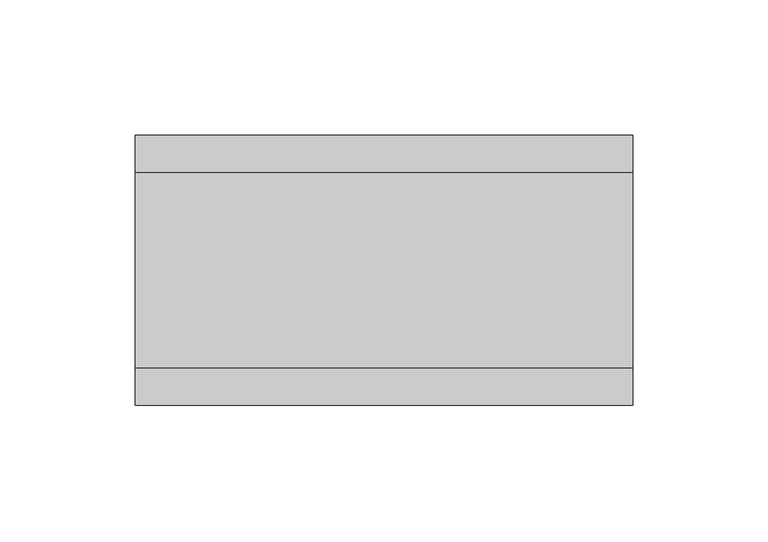
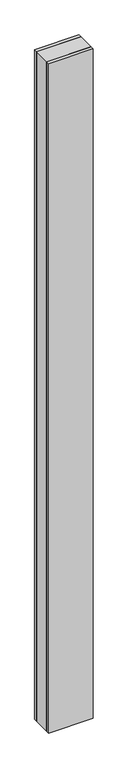
"""IFC4 building model written with IfcOpenShell, lengths in millimetres: plate geometry."""

from ifc_helpers import new_model, si_unit, origin, origin_with_axes, place, context, project, spatial, polyline, outline, extrude, source, transform, mapped, element, save


def plate_8624a801(model_context):
    return source(origin(), model_context, "Body", "SweptSolid", [
        extrude(outline(polyline([(92.0766498, 36.0), (92.0766498, -36.0), (-92.0766498, -36.0), (-92.0766498, 36.0), (92.0766498, 36.0)])), origin_with_axes(), (0.0, 0.0, 1.0), 2925.7),
        extrude(outline(polyline([(92.0766498, 50.0), (92.0766498, 36.0), (-92.0766498, 36.0), (-92.0766498, 50.0), (92.0766498, 50.0)])), origin_with_axes(), (0.0, 0.0, 1.0), 2925.7),
        extrude(outline(polyline([(92.0766498, -36.0), (92.0766498, -50.0), (-92.0766498, -50.0), (-92.0766498, -36.0), (92.0766498, -36.0)])), origin_with_axes(), (0.0, 0.0, 1.0), 2925.7),
    ])


if __name__ == "__main__":
    model = new_model("IFC4")
    model_context = context("Model", 3, world=origin())
    ifc_project = project(units=[si_unit("LENGTHUNIT", "METRE", prefix="MILLI")], contexts=[model_context])
    site = spatial("IfcSite", under=ifc_project)
    building = spatial("IfcBuilding", under=site)
    placement = place(None, origin())
    plate_shape = plate_8624a801(model_context)
    element("IfcPlate", 1, at=placement, inside=building, context=model_context, shape_type="MappedRepresentation", body=[
        mapped(plate_shape, transform((0.0, 0.0, 0.0), x_axis=(1.0, 0.0, 0.0), y_axis=(0.0, 1.0, 0.0), z_axis=(0.0, 0.0, 1.0))),
    ])
    save(model, "model.ifc")
